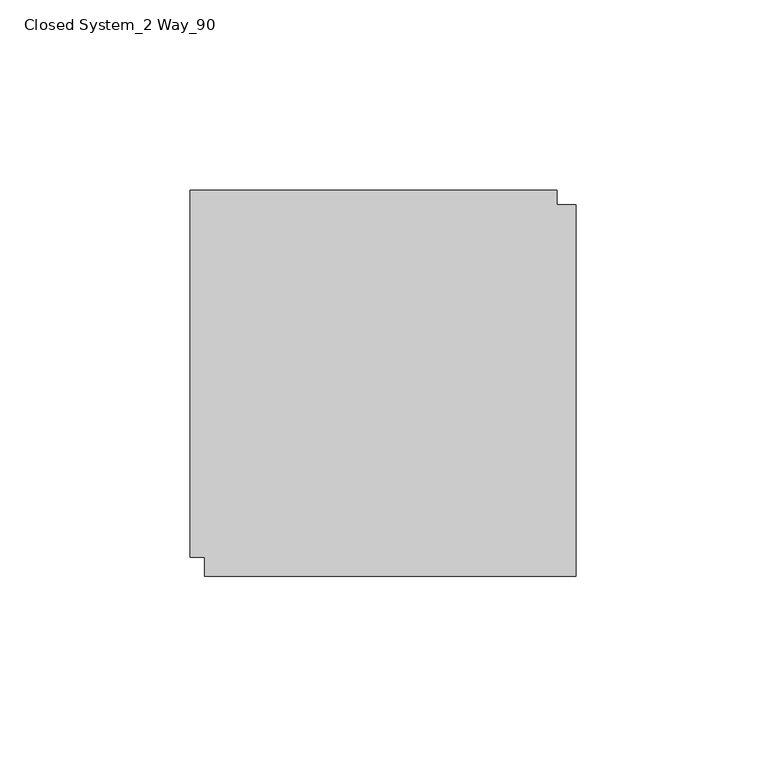
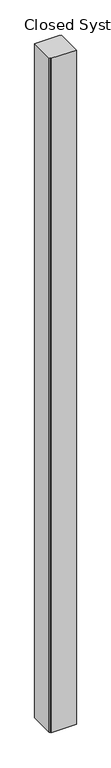
"""IFC4 building model written with IfcOpenShell, lengths in millimetres: furniture geometry, Closed System_2 Way_90."""

from ifc_helpers import new_model, si_unit, origin, origin_with_axes, place, context, project, spatial, polyline, outline, extrude, source, transform, mapped, element, save


def closed_system_2_way_90_dde00ff1(model_context):
    return source(origin(), model_context, "Body", "SweptSolid", [
        extrude(outline(polyline([(29.9771531, -22.2450295), (29.9771531, 74.4019705), (126.6241531, 74.4019705), (126.6241531, 70.4649705), (131.5771531, 70.4649705), (131.5771531, -27.1980295), (33.9141531, -27.1980295), (33.9141531, -22.2450295), (29.9771531, -22.2450295)])), origin_with_axes(), (0.0, 0.0, 1.0), 2743.2),
    ])


if __name__ == "__main__":
    model = new_model("IFC4")
    model_context = context("Model", 3, world=origin())
    ifc_project = project(units=[si_unit("LENGTHUNIT", "METRE", prefix="MILLI")], contexts=[model_context])
    site = spatial("IfcSite", under=ifc_project)
    building = spatial("IfcBuilding", under=site)
    placement = place(None, origin())
    closed_system_2_way_90_shape = closed_system_2_way_90_dde00ff1(model_context)
    element("IfcFurniture", 1, ObjectType="Closed System_2 Way_90", at=placement, inside=building, context=model_context, shape_type="MappedRepresentation", body=[
        mapped(closed_system_2_way_90_shape, transform((0.0, 0.0, 0.0), x_axis=(1.0, 0.0, 0.0), y_axis=(0.0, 1.0, 0.0), z_axis=(0.0, 0.0, 1.0))),
    ])
    save(model, "model.ifc")
